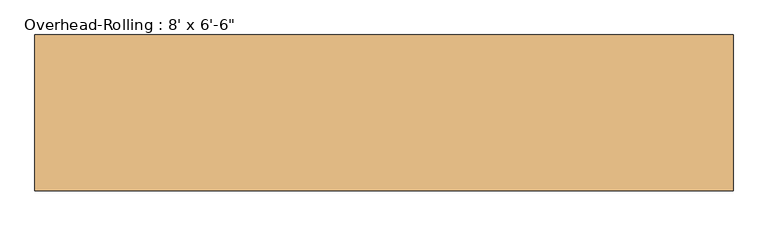
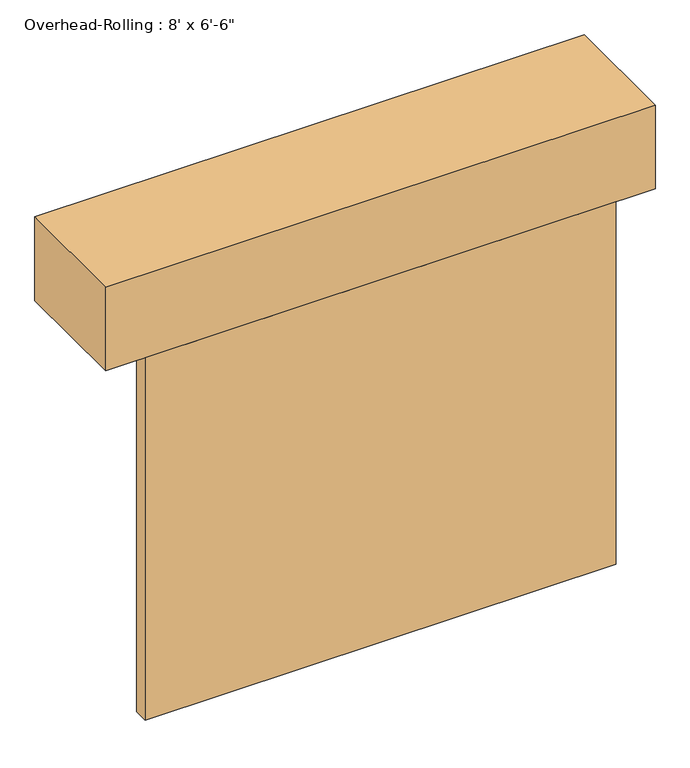
"""IFC4 building model written with IfcOpenShell, lengths in millimetres: door geometry."""

from ifc_helpers import new_model, si_unit, frame, origin, origin_with_axes, place, context, project, spatial, polyline, outline, extrude, source, transform, mapped, element, save


def door_f5554c23(model_context):
    return source(origin(), model_context, "Body", "SweptSolid", [
        extrude(outline(polyline([(1219.2, 152.4), (-1219.2, 152.4), (-1219.2, 228.6), (1219.2, 228.6), (1219.2, 152.4)])), origin_with_axes(), (0.0, 0.0, 1.0), 1981.2),
        extrude(outline(polyline([(1422.4, 787.4), (1422.4, 152.4), (-1422.4, 152.4), (-1422.4, 787.4), (1422.4, 787.4)])), frame((0.0, 0.0, 1981.2), z_axis=(0.0, 0.0, 1.0), x_axis=(1.0, 0.0, 0.0)), (0.0, 0.0, 1.0), 457.2),
    ])


if __name__ == "__main__":
    model = new_model("IFC4")
    model_context = context("Model", 3, world=origin())
    ifc_project = project(units=[si_unit("LENGTHUNIT", "METRE", prefix="MILLI")], contexts=[model_context])
    site = spatial("IfcSite", under=ifc_project)
    building = spatial("IfcBuilding", under=site)
    placement = place(None, origin())
    door_shape = door_f5554c23(model_context)
    element("IfcDoor", 1, ObjectType="Overhead-Rolling : 8' x 6'-6\"", at=placement, inside=building, context=model_context, shape_type="MappedRepresentation", body=[
        mapped(door_shape, transform((0.0, 0.0, 0.0), x_axis=(1.0, 0.0, 0.0), y_axis=(0.0, 1.0, 0.0), z_axis=(0.0, 0.0, 1.0))),
    ])
    save(model, "model.ifc")
